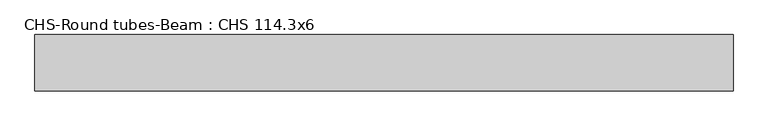
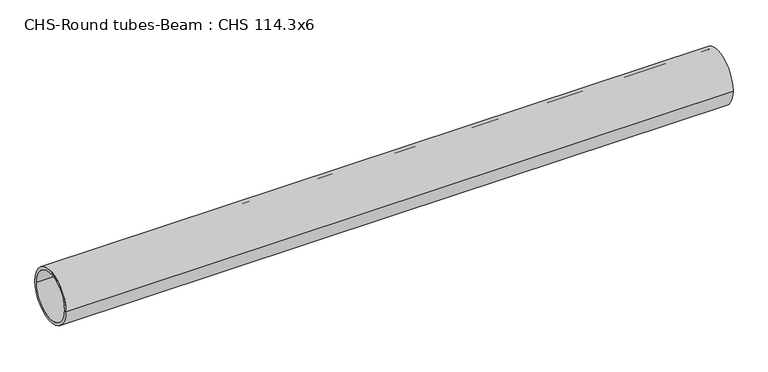
"""IFC4 building model written with IfcOpenShell, lengths in millimetres: beam geometry, CHS-Round tubes-Beam : CHS 114.3x6."""

from ifc_helpers import new_model, si_unit, point, frame, origin, origin_2d, place, context, project, spatial, circle_curve, trimmed, segment, composite_curve, outline, extrude, source, transform, mapped, element, save


def chs_round_tubes_beam_chs_114_3x6_3c1108c4(model_context):
    return source(origin(), model_context, "Body", "SweptSolid", [
        extrude(outline(composite_curve([segment(trimmed(circle_curve(origin_2d(), 57.15), [point((57.15, 0.0))], [point((-57.15, 0.0))], False, "CARTESIAN"), True, "CONTINUOUS"), segment(trimmed(circle_curve(origin_2d(), 57.15), [point((-57.15, 0.0))], [point((57.15, 0.0))], False, "CARTESIAN"), True, "CONTINUOUS")], self_intersect=False), holes=[composite_curve([segment(trimmed(circle_curve(origin_2d(), 51.15), [point((51.15, 0.0))], [point((-51.15, 0.0))], True, "CARTESIAN"), True, "CONTINUOUS"), segment(trimmed(circle_curve(origin_2d(), 51.15), [point((-51.15, 0.0))], [point((51.15, 0.0))], True, "CARTESIAN"), True, "CONTINUOUS")], self_intersect=False)]), frame((-703.1017712, 0.0, 0.0), z_axis=(1.0, 0.0, 0.0), x_axis=(0.0, 1.0, 0.0)), (0.0, 0.0, 1.0), 1420.1744083),
    ])


if __name__ == "__main__":
    model = new_model("IFC4")
    model_context = context("Model", 3, world=origin())
    ifc_project = project(units=[si_unit("LENGTHUNIT", "METRE", prefix="MILLI")], contexts=[model_context])
    site = spatial("IfcSite", under=ifc_project)
    building = spatial("IfcBuilding", under=site)
    placement = place(None, origin())
    chs_round_tubes_beam_chs_114_3x6_shape = chs_round_tubes_beam_chs_114_3x6_3c1108c4(model_context)
    element("IfcBeam", 1, ObjectType="CHS-Round tubes-Beam : CHS 114.3x6", at=placement, inside=building, context=model_context, shape_type="MappedRepresentation", body=[
        mapped(chs_round_tubes_beam_chs_114_3x6_shape, transform((0.0, 0.0, 0.0), x_axis=(1.0, 0.0, 0.0), y_axis=(0.0, 1.0, 0.0), z_axis=(0.0, 0.0, 1.0))),
    ])
    save(model, "model.ifc")
